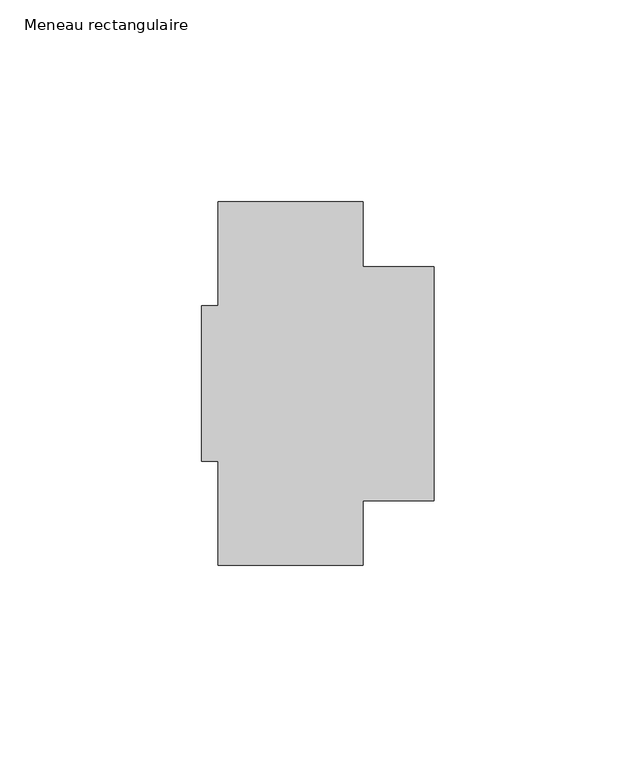
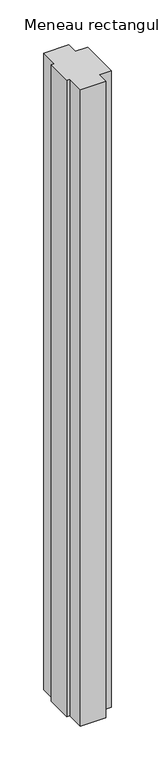
"""IFC4 building model written with IfcOpenShell, lengths in millimetres: member geometry, Meneau rectangulaire."""

import ifcopenshell
import ifcopenshell.guid

model = None  # the IFC model being written
_history = None  # IfcOwnerHistory: only IFC2X3 demands one
_inside = {}  # id of a spatial element -> (the spatial element, [elements in it])
_under = {}  # id of a project, library or spatial element -> (it, [spatial elements below it])
_declared = {}  # id of a project -> (the project, [libraries it declares])
_typed = {}  # id of a type object -> (the type object, [elements of that type])
_made_of = {}  # id of a material, layer set ... -> (it, [elements and type objects made of it])


def new_model(schema):
    """Start an empty IFC model of exactly this schema.

    Asked for "IFC4X3", IfcOpenShell would pick the latest addendum, in which some entities
    have other attributes; the version numbers below select the first issue.
    IFC2X3 requires an IfcOwnerHistory on every rooted entity: one is made here for all.
    """
    global model, _history
    if schema == "IFC4X3":
        model = ifcopenshell.file(schema_version=(4, 3, 0, 0))
    else:
        model = ifcopenshell.file(schema=schema)
    _inside.clear()
    _under.clear()
    _declared.clear()
    _typed.clear()
    _made_of.clear()
    _history = None
    if model.schema == "IFC2X3":
        org = make("IfcOrganization", Name="unknown")
        user = make(
            "IfcPersonAndOrganization",
            ThePerson=make("IfcPerson", FamilyName="unknown"),
            TheOrganization=org,
        )
        app = make(
            "IfcApplication",
            ApplicationDeveloper=org,
            Version="unknown",
            ApplicationFullName="unknown",
            ApplicationIdentifier="unknown",
        )
        _history = make(
            "IfcOwnerHistory",
            OwningUser=user,
            OwningApplication=app,
            ChangeAction="ADDED",
            CreationDate=0,
        )
    return model


def make(cls, **values):
    """One entity of the class cls with the attributes given. An attribute that is None is left unset."""
    return model.create_entity(
        cls, **{name: value for name, value in values.items() if value is not None}
    )


def rooted(cls, **values):
    """An entity with a GlobalId (a new one), such as an element, a storey or a relation."""
    return make(cls, GlobalId=ifcopenshell.guid.new(), OwnerHistory=_history, **values)


def si_unit(unit_type, name, prefix=None):
    """IfcSIUnit, for example si_unit("LENGTHUNIT", "METRE", prefix="MILLI")."""
    return make("IfcSIUnit", UnitType=unit_type, Prefix=prefix, Name=name)


def assignment(units):
    """IfcUnitAssignment: the units of a project."""
    return None if units is None else make("IfcUnitAssignment", Units=units)


def point(xyz):
    """IfcCartesianPoint."""
    return None if xyz is None else make("IfcCartesianPoint", Coordinates=xyz)


def direction(xyz):
    """IfcDirection."""
    return None if xyz is None else make("IfcDirection", DirectionRatios=xyz)


def frame(location, z_axis=None, x_axis=None):
    """IfcAxis2Placement3D, a coordinate frame: its origin and axes. An axis left out is left unset."""
    return make(
        "IfcAxis2Placement3D",
        Location=point(location),
        Axis=direction(z_axis),
        RefDirection=direction(x_axis),
    )


def origin():
    """The frame at (0, 0, 0) with its axes left unset."""
    return frame((0.0, 0.0, 0.0))


def place(relative_to, where):
    """IfcLocalPlacement: puts the frame where relative to a parent placement (None: the world)."""
    return make(
        "IfcLocalPlacement", PlacementRelTo=relative_to, RelativePlacement=where
    )


def context(
    kind, dimensions, precision=None, world=None, true_north=None, identifier=None
):
    """IfcGeometricRepresentationContext, for example the 3D "Model" context."""
    return make(
        "IfcGeometricRepresentationContext",
        ContextIdentifier=identifier,
        ContextType=kind,
        CoordinateSpaceDimension=dimensions,
        Precision=precision,
        WorldCoordinateSystem=world,
        TrueNorth=true_north,
    )


def project(units=None, contexts=None):
    """IfcProject with its units and contexts."""
    return rooted(
        "IfcProject",
        Name="project",
        RepresentationContexts=contexts,
        UnitsInContext=assignment(units),
    )


def spatial(cls, under=None, at=None, **own):
    """A site, building, storey or space (cls), placed at a placement, below another one or the project."""
    s = rooted(cls, ObjectPlacement=at, **own)
    if under is not None:
        _under.setdefault(under.id(), (under, []))[1].append(s)
    return s


def polyline(points):
    """IfcPolyline through the points."""
    return make("IfcPolyline", Points=[point(p) for p in points])


def outline(outer, holes=None, kind="AREA"):
    """IfcArbitraryClosedProfileDef: a profile drawn as a closed curve; with holes, ...WithVoids."""
    if holes is None:
        return make("IfcArbitraryClosedProfileDef", ProfileType=kind, OuterCurve=outer)
    return make(
        "IfcArbitraryProfileDefWithVoids",
        ProfileType=kind,
        OuterCurve=outer,
        InnerCurves=holes,
    )


def extrude(swept, where, along, depth):
    """IfcExtrudedAreaSolid: the profile swept, set in the frame where, extruded along a direction by depth."""
    return make(
        "IfcExtrudedAreaSolid",
        SweptArea=swept,
        Position=where,
        ExtrudedDirection=direction(along),
        Depth=depth,
    )


def shape(context_of_items, identifier, shape_type, items):
    """IfcShapeRepresentation: the items that make up one representation, for example the "Body"."""
    return make(
        "IfcShapeRepresentation",
        ContextOfItems=context_of_items,
        RepresentationIdentifier=identifier,
        RepresentationType=shape_type,
        Items=items,
    )


def source(mapping_origin, context_of_items, identifier, shape_type, items):
    """IfcRepresentationMap: a shape defined once, which mapped items show again and again."""
    return make(
        "IfcRepresentationMap",
        MappingOrigin=mapping_origin,
        MappedRepresentation=shape(context_of_items, identifier, shape_type, items),
    )


def transform(
    local_origin,
    x_axis=None,
    y_axis=None,
    z_axis=None,
    scale=None,
    scale2=None,
    scale3=None,
    uniform=True,
):
    """IfcCartesianTransformationOperator3D, or its non-uniform kind. x_axis, y_axis, z_axis: its Axis1, 2, 3."""
    if uniform:
        return make(
            "IfcCartesianTransformationOperator3D",
            Axis1=direction(x_axis),
            Axis2=direction(y_axis),
            LocalOrigin=point(local_origin),
            Scale=scale,
            Axis3=direction(z_axis),
        )
    return make(
        "IfcCartesianTransformationOperator3DnonUniform",
        Axis1=direction(x_axis),
        Axis2=direction(y_axis),
        LocalOrigin=point(local_origin),
        Scale=scale,
        Axis3=direction(z_axis),
        Scale2=scale2,
        Scale3=scale3,
    )


def mapped(mapping_source, mapping_target):
    """IfcMappedItem: shows the shape of a source again, moved by a transform."""
    return make(
        "IfcMappedItem", MappingSource=mapping_source, MappingTarget=mapping_target
    )


def made_of(thing, what):
    """Note that an element or type object is made of a material, layer set ...; save() writes the relation."""
    if what is not None:
        _made_of.setdefault(what.id(), (what, []))[1].append(thing)
    return thing


def element(
    cls,
    number,
    at=None,
    inside=None,
    cuts=None,
    type_object=None,
    material=None,
    context=None,
    identifier="Body",
    shape_type=None,
    held_by="IfcProductDefinitionShape",
    body=None,
    shapes=None,
    **own,
):
    """One element of the class cls, such as IfcWall. Its Tag is "e" and its number.

    at: its placement. inside: the storey or other place that contains it. cuts: it is an
    opening in that element (IfcRelVoidsElement). A single representation is given by context,
    identifier, shape_type and body (its items); several are given by shapes. held_by: the class
    of the entity that holds the representations. save() writes the other relations.
    """
    e = rooted(cls, Tag="e%d" % number, ObjectPlacement=at, **own)
    if body is not None:
        shapes = [shape(context, identifier, shape_type, body)]
    if shapes is not None:
        e.Representation = make(held_by, Representations=shapes)
    if inside is not None:
        _inside.setdefault(inside.id(), (inside, []))[1].append(e)
    if cuts is not None:
        rooted(
            "IfcRelVoidsElement", RelatingBuildingElement=cuts, RelatedOpeningElement=e
        )
    if type_object is not None:
        _typed.setdefault(type_object.id(), (type_object, []))[1].append(e)
    return made_of(e, material)


def aggregate(whole, parts):
    """IfcRelAggregates: a whole, such as a stair, and the parts it consists of."""
    return rooted("IfcRelAggregates", RelatingObject=whole, RelatedObjects=parts)


def save(model, path):
    """Write the relations noted so far, then the file.

    IfcRelAggregates (storeys below a building ...), IfcRelContainedInSpatialStructure (elements
    in a storey), IfcRelDefinesByType, IfcRelAssociatesMaterial and IfcRelDeclares: one each for
    every whole, place, type object, material and project.
    """
    for whole, parts in _under.values():
        aggregate(whole, parts)
    for where, things in _inside.values():
        rooted(
            "IfcRelContainedInSpatialStructure",
            RelatedElements=things,
            RelatingStructure=where,
        )
    for kind, things in _typed.values():
        rooted("IfcRelDefinesByType", RelatedObjects=things, RelatingType=kind)
    for what, things in _made_of.values():
        rooted("IfcRelAssociatesMaterial", RelatedObjects=things, RelatingMaterial=what)
    for by, libraries in _declared.values():
        rooted("IfcRelDeclares", RelatingContext=by, RelatedDefinitions=libraries)
    model.write(path)


def meneau_rectangulaire_8aa785f9(model_context):
    return source(origin(), model_context, "Body", "SweptSolid", [
        extrude(outline(polyline([(-53.5, -45.0), (-53.5, -19.25), (-57.5, -19.25), (-57.5, 19.25), (-53.5, 19.25), (-53.5, 45.0), (-17.5, 45.0), (-17.5, 29.0), (0.0, 29.0), (0.0, -29.0), (-17.5, -29.0), (-17.5, -45.0), (-53.5, -45.0)])), frame((0.0, 0.0, -955.0), z_axis=(0.0, 0.0, 1.0), x_axis=(1.0, 0.0, 0.0)), (0.0, 0.0, 1.0), 955.0),
    ])


if __name__ == "__main__":
    model = new_model("IFC4")
    model_context = context("Model", 3, world=origin())
    ifc_project = project(units=[si_unit("LENGTHUNIT", "METRE", prefix="MILLI")], contexts=[model_context])
    site = spatial("IfcSite", under=ifc_project)
    building = spatial("IfcBuilding", under=site)
    placement = place(None, origin())
    meneau_rectangulaire_shape = meneau_rectangulaire_8aa785f9(model_context)
    element("IfcMember", 1, ObjectType="Meneau rectangulaire", at=placement, inside=building, context=model_context, shape_type="MappedRepresentation", body=[
        mapped(meneau_rectangulaire_shape, transform((0.0, 0.0, 0.0), x_axis=(1.0, 0.0, 0.0), y_axis=(0.0, 1.0, 0.0), z_axis=(0.0, 0.0, 1.0))),
    ])
    save(model, "model.ifc")
